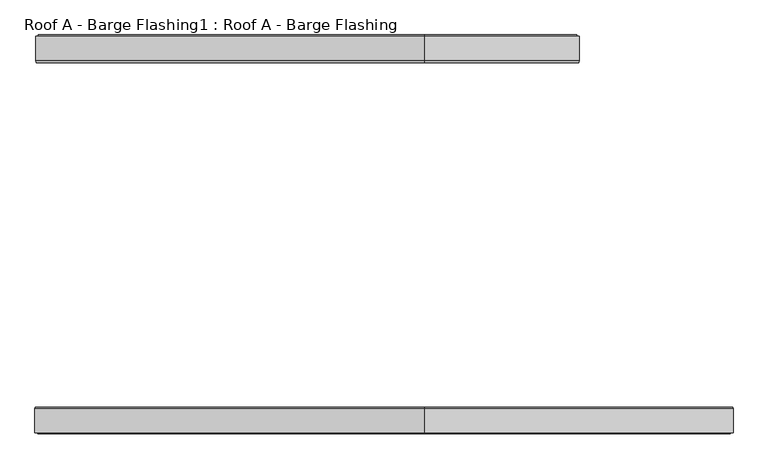
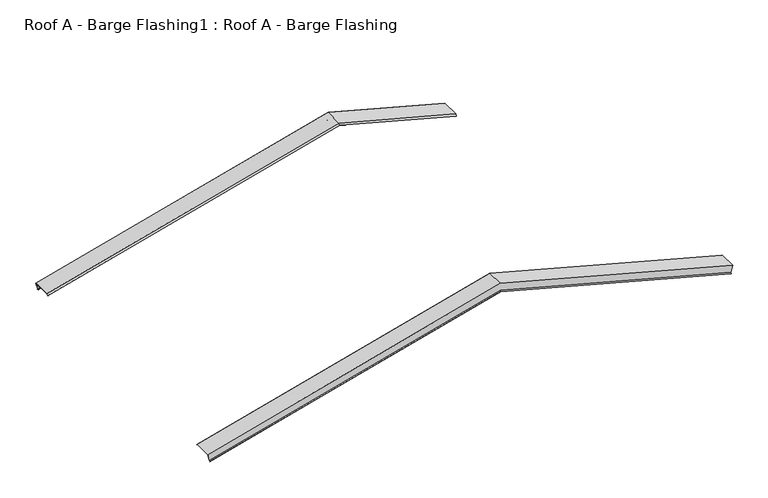
"""IFC4 building model written with IfcOpenShell, lengths in millimetres: proxy geometry, Roof A - Barge Flashing1 : Roof A - Barge Flashing."""

from ifc_helpers import new_model, si_unit, origin, place, context, project, spatial, faceted_brep, source, transform, mapped, element, save


def roof_a_barge_flashing1_roof_a_barge_flashing_b418f5d2(model_context):
    return source(origin(), model_context, "Body", "Brep", [
        faceted_brep([(39319.779353, -7711.5631375, 5751.4040697), (39319.779353, -7394.8296788, 5751.4040697), (39289.196204, -7394.8296788, 5637.2662041), (39285.6431564, -7381.1017567, 5624.0060497), (39283.0809785, -7391.0012517, 5614.4438718), (39282.8979658, -7390.2941449, 5613.7608591), (39285.6431564, -7379.6875432, 5624.0060497), (39289.3034104, -7393.8296788, 5637.6663037), (39320.038172, -7393.8296788, 5752.3699956), (39320.038172, -7711.9773511, 5752.3699956), (39314.2369537, -7734.3915376, 5730.719554), (39314.053941, -7733.6844308, 5730.0365413), (37328.9343483, -7733.6844308, 6261.947733), (37328.9343483, -7711.5631375, 6284.849381), (37328.9343483, -7734.3915376, 6262.6797838), (37328.9343483, -7711.9773511, 6285.8846572), (37328.9343483, -7393.8296788, 6285.8846572), (37328.9343483, -7393.8296788, 6162.9456108), (32379.0248538, -7393.8296788, 4836.6213591), (32348.2900922, -7393.8296788, 4951.325051), (37328.9343483, -7379.6875432, 6148.3045946), (37328.9343483, -7390.2941449, 6137.3238325), (37328.9343483, -7391.0012517, 6138.0558833), (37328.9343483, -7381.1017567, 6148.3045946), (37328.9343483, -7394.8296788, 6162.5167853), (37328.9343483, -7394.8296788, 6284.849381), (32348.5489113, -7394.8296788, 4950.3591251), (32379.1320602, -7394.8296788, 4836.2212595), (32348.5489113, -7711.5631375, 4950.3591251), (32354.2743233, -7733.6844308, 4928.9915967), (32354.0913106, -7734.3915376, 4929.6746094), (32348.2900922, -7711.9773511, 4951.325051), (32382.6851079, -7379.6875432, 4822.9611051), (32385.4302984, -7390.2941449, 4812.7159145), (32385.2472857, -7391.0012517, 4813.3989272), (32382.6851079, -7381.1017567, 4822.9611051)], [[[0, 1, 2, 3, 4, 5, 6, 7, 8, 9, 10, 11]], [[0, 11, 12, 13]], [[11, 10, 14, 12]], [[10, 9, 15, 14]], [[9, 8, 16, 15]], [[8, 7, 17, 18, 19, 16]], [[7, 6, 20, 17]], [[6, 5, 21, 20]], [[5, 4, 22, 21]], [[4, 3, 23, 22]], [[3, 2, 24, 23]], [[2, 1, 25, 26, 27, 24]], [[1, 0, 13, 25]], [[28, 29, 30, 31, 19, 18, 32, 33, 34, 35, 27, 26]], [[12, 14, 30, 29]], [[15, 16, 19, 31]], [[17, 20, 32, 18]], [[20, 21, 33, 32]], [[21, 22, 34, 33]], [[22, 23, 35, 34]], [[23, 24, 27, 35]], [[25, 13, 28, 26]], [[13, 12, 29, 28]], [[14, 15, 31, 30]]]),
        faceted_brep([(41290.2680386, -12175.3795281, 5223.4132177), (41284.5021861, -12153.1019848, 5201.8947633), (41284.6851988, -12152.394878, 5202.577776), (41290.5268576, -12174.9653145, 5224.3791436), (41290.5268576, -12480.6129868, 5224.3791436), (41259.792096, -12480.6129868, 5109.6754517), (41256.131842, -12494.7551224, 5096.0151976), (41253.3866515, -12484.1485207, 5085.7700071), (41253.5696642, -12483.4414139, 5086.4530198), (41256.131842, -12493.3409089, 5096.0151976), (41259.6848897, -12479.6129868, 5109.2753521), (41290.2680386, -12479.6129868, 5223.4132177), (37328.9343483, -12175.3795281, 6284.849381), (37328.9343483, -12153.1019848, 6261.7859711), (37328.9343483, -12152.394878, 6262.5180219), (37328.9343483, -12174.9653145, 6285.8846572), (37328.9343483, -12480.6129868, 6285.8846572), (32338.6308339, -12480.6129868, 4948.7368605), (32369.3655956, -12480.6129868, 4834.0331687), (37328.9343483, -12480.6129868, 6162.9456108), (37328.9343483, -12494.7551224, 6148.3045946), (37328.9343483, -12484.1485207, 6137.3238325), (37328.9343483, -12483.4414139, 6138.0558833), (37328.9343483, -12493.3409089, 6148.3045946), (37328.9343483, -12479.6129868, 6162.5167853), (32369.4728019, -12479.6129868, 4833.6330691), (32338.889653, -12479.6129868, 4947.7709347), (37328.9343483, -12479.6129868, 6284.849381), (32338.889653, -12175.3795281, 4947.7709347), (32373.0258496, -12493.3409089, 4820.3729146), (32375.5880274, -12483.4414139, 4810.8107368), (32375.7710401, -12484.1485207, 4810.1277241), (32373.0258496, -12494.7551224, 4820.3729146), (32338.6308339, -12174.9653145, 4948.7368605), (32344.4724928, -12152.394878, 4926.935493), (32344.6555055, -12153.1019848, 4926.2524803)], [[[0, 1, 2, 3, 4, 5, 6, 7, 8, 9, 10, 11]], [[1, 0, 12, 13]], [[2, 1, 13, 14]], [[3, 2, 14, 15]], [[4, 3, 15, 16]], [[5, 4, 16, 17, 18, 19]], [[6, 5, 19, 20]], [[7, 6, 20, 21]], [[8, 7, 21, 22]], [[9, 8, 22, 23]], [[10, 9, 23, 24]], [[11, 10, 24, 25, 26, 27]], [[0, 11, 27, 12]], [[28, 26, 25, 29, 30, 31, 32, 18, 17, 33, 34, 35]], [[14, 13, 35, 34]], [[16, 15, 33, 17]], [[20, 19, 18, 32]], [[21, 20, 32, 31]], [[22, 21, 31, 30]], [[23, 22, 30, 29]], [[24, 23, 29, 25]], [[12, 27, 26, 28]], [[13, 12, 28, 35]], [[15, 14, 34, 33]]]),
    ])


if __name__ == "__main__":
    model = new_model("IFC4")
    model_context = context("Model", 3, world=origin())
    ifc_project = project(units=[si_unit("LENGTHUNIT", "METRE", prefix="MILLI")], contexts=[model_context])
    site = spatial("IfcSite", under=ifc_project)
    building = spatial("IfcBuilding", under=site)
    placement = place(None, origin())
    roof_a_barge_flashing1_roof_a_barge_flashing_shape = roof_a_barge_flashing1_roof_a_barge_flashing_b418f5d2(model_context)
    element("IfcBuildingElementProxy", 1, Name="Roof A - Barge Flashing1 : Roof A - Barge Flashing", ObjectType="Roof A - Barge Flashing1 : Roof A - Barge Flashing", at=placement, inside=building, context=model_context, shape_type="MappedRepresentation", body=[
        mapped(roof_a_barge_flashing1_roof_a_barge_flashing_shape, transform((0.0, 0.0, 0.0), x_axis=(1.0, 0.0, 0.0), y_axis=(0.0, 1.0, 0.0), z_axis=(0.0, 0.0, 1.0))),
    ])
    save(model, "model.ifc")
